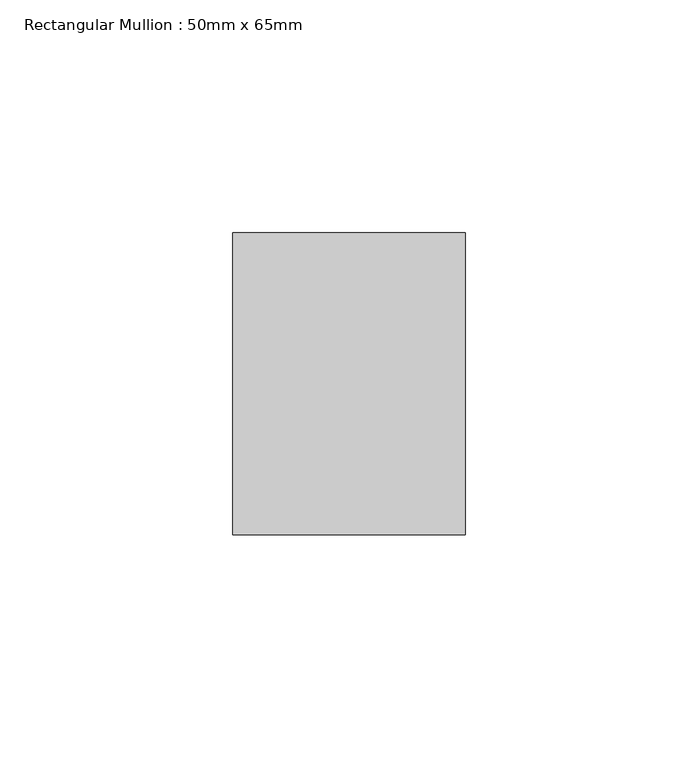
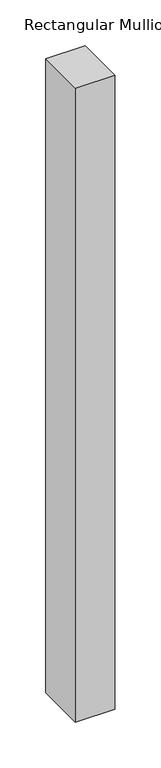
"""IFC4 building model written with IfcOpenShell, lengths in millimetres: member geometry, Rectangular Mullion : 50mm x 65mm."""

from ifc_helpers import new_model, si_unit, frame, origin, place, context, project, spatial, polyline, outline, extrude, source, transform, mapped, element, save


def rectangular_mullion_50mm_x_65mm_499910c0(model_context):
    return source(origin(), model_context, "Body", "SweptSolid", [
        extrude(outline(polyline([(25.0, 32.5), (25.0, -32.5), (-25.0, -32.5), (-25.0, 32.5), (25.0, 32.5)])), frame((0.0, 0.0, -846.7249709), z_axis=(0.0, 0.0, 1.0), x_axis=(1.0, 0.0, 0.0)), (0.0, 0.0, 1.0), 846.7249709),
    ])


if __name__ == "__main__":
    model = new_model("IFC4")
    model_context = context("Model", 3, world=origin())
    ifc_project = project(units=[si_unit("LENGTHUNIT", "METRE", prefix="MILLI")], contexts=[model_context])
    site = spatial("IfcSite", under=ifc_project)
    building = spatial("IfcBuilding", under=site)
    placement = place(None, origin())
    rectangular_mullion_50mm_x_65mm_shape = rectangular_mullion_50mm_x_65mm_499910c0(model_context)
    element("IfcMember", 1, ObjectType="Rectangular Mullion : 50mm x 65mm", at=placement, inside=building, context=model_context, shape_type="MappedRepresentation", body=[
        mapped(rectangular_mullion_50mm_x_65mm_shape, transform((0.0, 0.0, 0.0), x_axis=(1.0, 0.0, 0.0), y_axis=(0.0, 1.0, 0.0), z_axis=(0.0, 0.0, 1.0))),
    ])
    save(model, "model.ifc")
